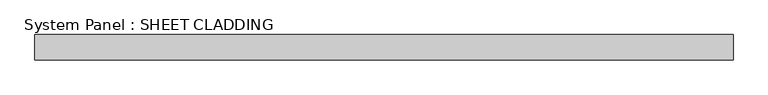
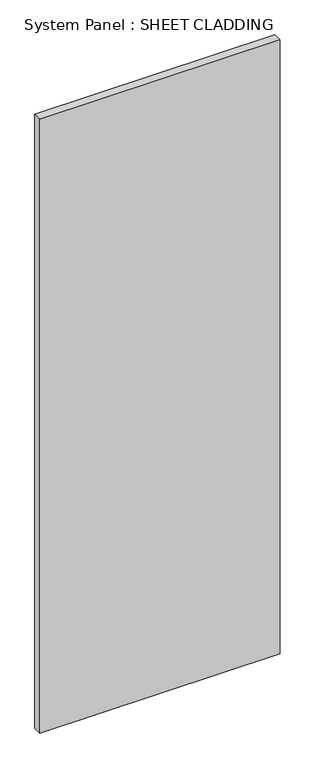
"""IFC4 building model written with IfcOpenShell, lengths in millimetres: plate geometry, System Panel : SHEET CLADDING."""

from ifc_helpers import new_model, si_unit, origin, origin_with_axes, place, context, project, spatial, polyline, outline, extrude, source, transform, mapped, element, save


def system_panel_sheet_cladding_4d96373d(model_context):
    return source(origin(), model_context, "Body", "SweptSolid", [
        extrude(outline(polyline([(833.3333333, -10.5), (-833.3333333, -10.5), (-833.3333333, 49.5), (833.3333333, 49.5), (833.3333333, -10.5)])), origin_with_axes(), (0.0, 0.0, 1.0), 4500.0),
    ])


if __name__ == "__main__":
    model = new_model("IFC4")
    model_context = context("Model", 3, world=origin())
    ifc_project = project(units=[si_unit("LENGTHUNIT", "METRE", prefix="MILLI")], contexts=[model_context])
    site = spatial("IfcSite", under=ifc_project)
    building = spatial("IfcBuilding", under=site)
    placement = place(None, origin())
    system_panel_sheet_cladding_shape = system_panel_sheet_cladding_4d96373d(model_context)
    element("IfcPlate", 1, ObjectType="System Panel : SHEET CLADDING", at=placement, inside=building, context=model_context, shape_type="MappedRepresentation", body=[
        mapped(system_panel_sheet_cladding_shape, transform((0.0, 0.0, 0.0), x_axis=(1.0, 0.0, 0.0), y_axis=(0.0, 1.0, 0.0), z_axis=(0.0, 0.0, 1.0))),
    ])
    save(model, "model.ifc")
